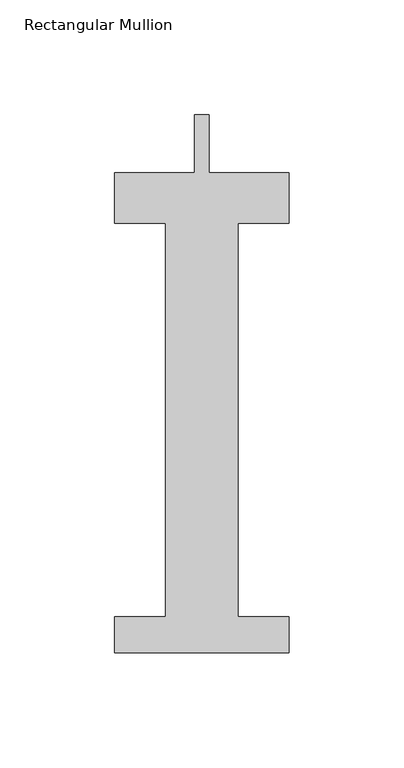
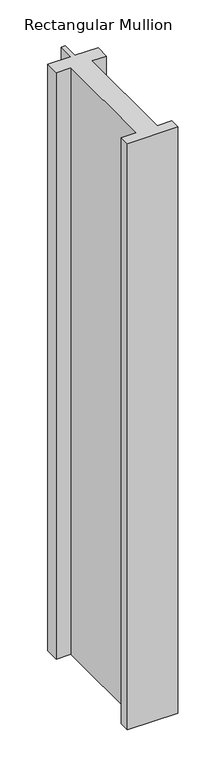
"""IFC4 building model written with IfcOpenShell, lengths in millimetres: member geometry, Rectangular Mullion."""

from ifc_helpers import new_model, si_unit, frame, origin, place, context, project, spatial, polyline, outline, extrude, source, transform, mapped, element, save


def rectangular_mullion_6c950799(model_context):
    return source(origin(), model_context, "Body", "SweptSolid", [
        extrude(outline(polyline([(38.1, -221.996), (-38.1, -221.996), (-38.1, -206.121), (-15.875, -206.121), (-15.875, -34.671), (-38.1, -34.671), (-38.1, -12.7), (-3.175, -12.7), (-3.175, 12.7), (3.175, 12.7), (3.175, -12.7), (38.1, -12.7), (38.1, -34.671), (15.875, -34.671), (15.875, -206.121), (38.1, -206.121), (38.1, -221.996)])), frame((0.0, 0.0, -939.8), z_axis=(0.0, 0.0, 1.0), x_axis=(1.0, 0.0, 0.0)), (0.0, 0.0, 1.0), 939.8),
    ])


if __name__ == "__main__":
    model = new_model("IFC4")
    model_context = context("Model", 3, world=origin())
    ifc_project = project(units=[si_unit("LENGTHUNIT", "METRE", prefix="MILLI")], contexts=[model_context])
    site = spatial("IfcSite", under=ifc_project)
    building = spatial("IfcBuilding", under=site)
    placement = place(None, origin())
    rectangular_mullion_shape = rectangular_mullion_6c950799(model_context)
    element("IfcMember", 1, ObjectType="Rectangular Mullion", at=placement, inside=building, context=model_context, shape_type="MappedRepresentation", body=[
        mapped(rectangular_mullion_shape, transform((0.0, 0.0, 0.0), x_axis=(1.0, 0.0, 0.0), y_axis=(0.0, 1.0, 0.0), z_axis=(0.0, 0.0, 1.0))),
    ])
    save(model, "model.ifc")
